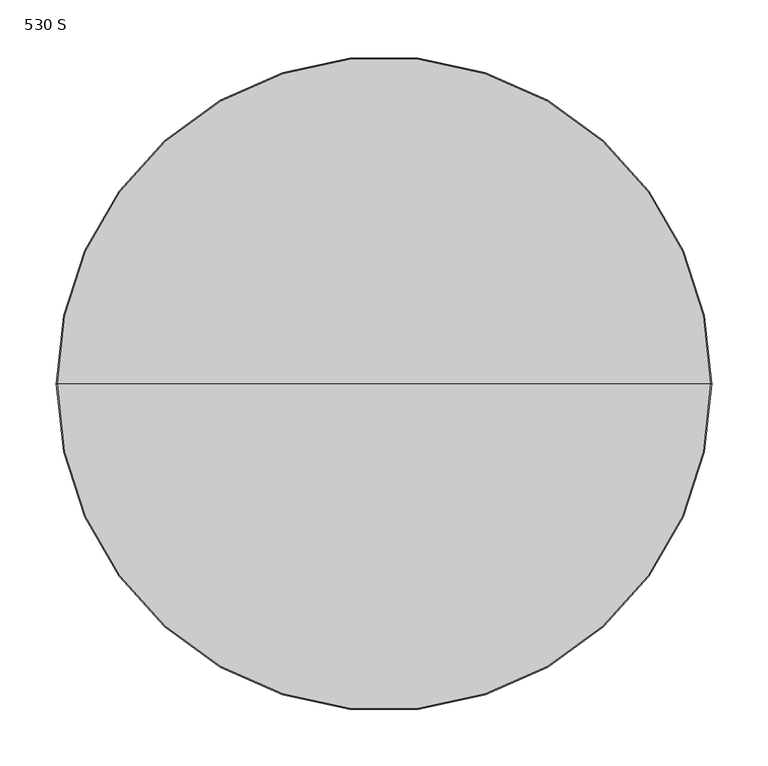
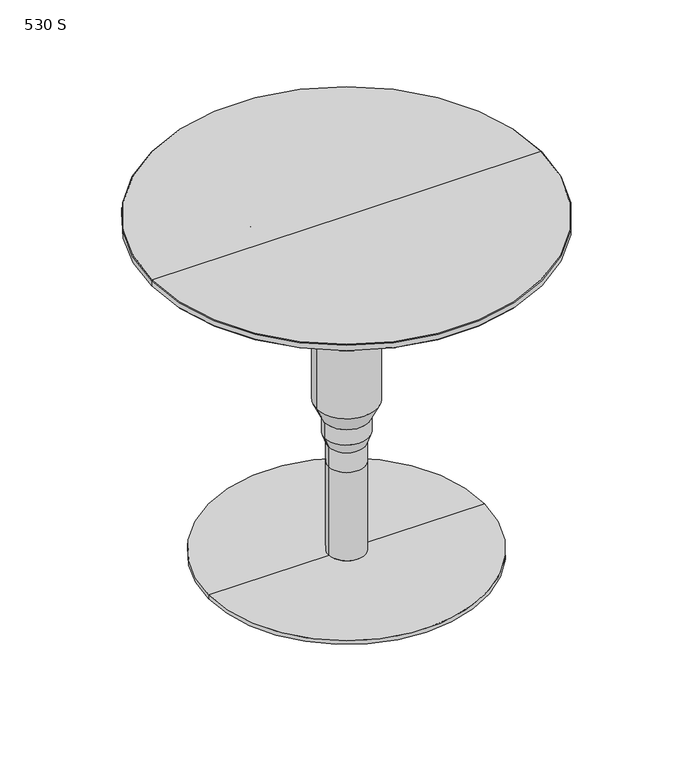
"""IFC4 building model written with IfcOpenShell, lengths in millimetres: furniture geometry, 530 S."""

from ifc_helpers import new_model, si_unit, frame, origin, place, context, project, spatial, polyline, circle_curve, source, transform, mapped, element, save
from ifc_brep_helpers import plane_surface, cylinder_surface, revolved_surface, advanced_brep


def furniture_530_s_0b94c679(model_context):
    return source(origin(), model_context, "Body", "AdvancedBrep", [
        advanced_brep(
        [(0.0, 0.0, 145.4075478), (-26.9997721, 0.0, 145.4075478), (26.9997721, 0.0, 145.4075478), (26.9997721, 0.0, 416.026536), (-26.9997721, 0.0, 416.026536), (0.0, 0.0, 416.026536), (26.9997721, 0.0, 392.407657), (-26.9997721, 0.0, 392.407657), (44.9996963, 0.0, 376.4076094), (-44.9996963, 0.0, 376.4076094), (44.9996963, 0.0, 242.4075991), (-44.9996963, 0.0, 242.4075991), (32.4995192, 0.0, 216.4074788), (-32.4995192, 0.0, 216.4074788), (32.4995192, 0.0, 192.4075797), (-32.4995192, 0.0, 192.4075797), (26.9997721, 0.0, 176.4075322), (-26.9997721, 0.0, 176.4075322)],
        [
            (0, 1),
            (1, 2, circle_curve(frame((0.0, 0.0, 145.4075478), z_axis=(0.0, 0.0, -1.0), x_axis=(-1.0, 0.0, 0.0)), 26.9997721)),
            (2, 0),
            (2, 1, circle_curve(frame((0.0, 0.0, 145.4075478), z_axis=(0.0, 0.0, -1.0), x_axis=(-1.0, 0.0, 0.0)), 26.9997721)),
            (3, 4, circle_curve(frame((0.0, 0.0, 416.026536), z_axis=(0.0, 0.0, 1.0), x_axis=(-1.0, 0.0, 0.0)), 26.9997721)),
            (4, 5),
            (5, 3),
            (4, 3, circle_curve(frame((0.0, 0.0, 416.026536), z_axis=(0.0, 0.0, 1.0), x_axis=(-1.0, 0.0, 0.0)), 26.9997721)),
            (6, 7, circle_curve(frame((0.0, 0.0, 392.407657), z_axis=(0.0, 0.0, 1.0), x_axis=(-1.0, 0.0, 0.0)), 26.9997721)),
            (7, 4),
            (3, 6),
            (7, 6, circle_curve(frame((0.0, 0.0, 392.407657), z_axis=(0.0, 0.0, 1.0), x_axis=(-1.0, 0.0, 0.0)), 26.9997721)),
            (8, 9, circle_curve(frame((0.0, 0.0, 376.4076094), z_axis=(0.0, 0.0, 1.0), x_axis=(-1.0, 0.0, 0.0)), 44.9996963)),
            (9, 7),
            (6, 8),
            (9, 8, circle_curve(frame((0.0, 0.0, 376.4076094), z_axis=(0.0, 0.0, 1.0), x_axis=(-1.0, 0.0, 0.0)), 44.9996963)),
            (10, 11, circle_curve(frame((0.0, 0.0, 242.4075991), z_axis=(0.0, 0.0, 1.0), x_axis=(-1.0, 0.0, 0.0)), 44.9996963)),
            (11, 9),
            (8, 10),
            (11, 10, circle_curve(frame((0.0, 0.0, 242.4075991), z_axis=(0.0, 0.0, 1.0), x_axis=(-1.0, 0.0, 0.0)), 44.9996963)),
            (12, 13, circle_curve(frame((0.0, 0.0, 216.4074788), z_axis=(0.0, 0.0, 1.0), x_axis=(-1.0, 0.0, 0.0)), 32.4995192)),
            (13, 11),
            (10, 12),
            (13, 12, circle_curve(frame((0.0, 0.0, 216.4074788), z_axis=(0.0, 0.0, 1.0), x_axis=(-1.0, 0.0, 0.0)), 32.4995192)),
            (14, 15, circle_curve(frame((0.0, 0.0, 192.4075797), z_axis=(0.0, 0.0, 1.0), x_axis=(-1.0, 0.0, 0.0)), 32.4995192)),
            (15, 13),
            (12, 14),
            (15, 14, circle_curve(frame((0.0, 0.0, 192.4075797), z_axis=(0.0, 0.0, 1.0), x_axis=(-1.0, 0.0, 0.0)), 32.4995192)),
            (16, 17, circle_curve(frame((0.0, 0.0, 176.4075322), z_axis=(0.0, 0.0, 1.0), x_axis=(-1.0, 0.0, 0.0)), 26.9997721)),
            (17, 15),
            (14, 16),
            (17, 16, circle_curve(frame((0.0, 0.0, 176.4075322), z_axis=(0.0, 0.0, 1.0), x_axis=(-1.0, 0.0, 0.0)), 26.9997721)),
            (1, 17),
            (16, 2),
        ],
        [
            plane_surface(frame((0.0, 0.0, 145.4075478), z_axis=(0.0, 0.0, -1.0), x_axis=(-1.0, 0.0, 0.0))),
            plane_surface(frame((0.0, 0.0, 416.026536), z_axis=(0.0, 0.0, 1.0), x_axis=(-1.0, 0.0, 0.0))),
            cylinder_surface(frame((0.0, 0.0, 145.4999867), z_axis=(0.0, 0.0, -1.0), x_axis=(-1.0, 0.0, 0.0)), 26.9997721),
            revolved_surface(polyline([(-26.9997721, 0.0, 392.407657), (-44.9996963, 0.0, 376.4076094)]), (0.0, 0.0, 145.4999867), (0.0, 0.0, -1.0)),
            cylinder_surface(frame((0.0, 0.0, 145.4999867), z_axis=(0.0, 0.0, -1.0), x_axis=(-1.0, 0.0, 0.0)), 44.9996963),
            revolved_surface(polyline([(-44.9996963, 0.0, 242.4075991), (-32.4995192, 0.0, 216.4074788)]), (0.0, 0.0, 145.4999867), (0.0, 0.0, -1.0)),
            cylinder_surface(frame((0.0, 0.0, 145.4999867), z_axis=(0.0, 0.0, -1.0), x_axis=(-1.0, 0.0, 0.0)), 32.4995192),
            revolved_surface(polyline([(-32.4995192, 0.0, 192.4075797), (-26.9997721, 0.0, 176.4075322)]), (0.0, 0.0, 145.4999867), (0.0, 0.0, -1.0)),
        ],
        [
            (0, [[1, 2, 3]]),
            (0, [[-3, 4, -1]]),
            (1, [[5, 6, 7]]),
            (1, [[8, -7, -6]]),
            (2, [[9, 10, -5, 11]]),
            (2, [[12, -11, -8, -10]]),
            (3, [[13, 14, -9, 15]]),
            (3, [[16, -15, -12, -14]]),
            (4, [[17, 18, -13, 19]]),
            (4, [[20, -19, -16, -18]]),
            (5, [[21, 22, -17, 23]]),
            (5, [[24, -23, -20, -22]]),
            (6, [[25, 26, -21, 27]]),
            (6, [[28, -27, -24, -26]]),
            (7, [[29, 30, -25, 31]]),
            (7, [[32, -31, -28, -30]]),
            (2, [[-2, 33, -29, 34]]),
            (2, [[-4, -34, -32, -33]]),
        ],
    ),
        advanced_brep(
        [(0.0, 0.0, 416.026536), (-27.0000008, 0.0, 416.026536), (27.0000008, 0.0, 416.026536), (289.0000015, 0.0, 530.0265543), (-289.0000015, 0.0, 530.0265543), (0.0, 0.0, 530.0265543), (289.9999774, 0.0, 529.0265784), (-289.9999774, 0.0, 529.0265784), (289.9999774, 0.0, 521.0118438), (-289.9999774, 0.0, 521.0118438), (289.0147168, 0.0, 520.0265833), (-289.0147168, 0.0, 520.0265833), (125.000001, 0.0, 520.0265833), (-125.000001, 0.0, 520.0265833), (125.000001, 0.0, 516.0264641), (-125.000001, 0.0, 516.0264641), (27.0000008, 0.0, 516.0264641), (-27.0000008, 0.0, 516.0264641)],
        [
            (0, 1),
            (1, 2, circle_curve(frame((0.0, 0.0, 416.026536), z_axis=(0.0, 0.0, -1.0), x_axis=(-1.0, 0.0, 0.0)), 27.0000008)),
            (2, 0),
            (2, 1, circle_curve(frame((0.0, 0.0, 416.026536), z_axis=(0.0, 0.0, -1.0), x_axis=(-1.0, 0.0, 0.0)), 27.0000008)),
            (3, 4, circle_curve(frame((0.0, 0.0, 530.0265543), z_axis=(0.0, 0.0, 1.0), x_axis=(-1.0, 0.0, 0.0)), 289.0000015)),
            (4, 5),
            (5, 3),
            (4, 3, circle_curve(frame((0.0, 0.0, 530.0265543), z_axis=(0.0, 0.0, 1.0), x_axis=(-1.0, 0.0, 0.0)), 289.0000015)),
            (6, 7, circle_curve(frame((0.0, 0.0, 529.0265784), z_axis=(0.0, 0.0, 1.0), x_axis=(-1.0, 0.0, 0.0)), 289.9999774)),
            (7, 4),
            (3, 6),
            (7, 6, circle_curve(frame((0.0, 0.0, 529.0265784), z_axis=(0.0, 0.0, 1.0), x_axis=(-1.0, 0.0, 0.0)), 289.9999774)),
            (8, 9, circle_curve(frame((0.0, 0.0, 521.0118438), z_axis=(0.0, 0.0, 1.0), x_axis=(-1.0, 0.0, 0.0)), 289.9999774)),
            (9, 7),
            (6, 8),
            (9, 8, circle_curve(frame((0.0, 0.0, 521.0118438), z_axis=(0.0, 0.0, 1.0), x_axis=(-1.0, 0.0, 0.0)), 289.9999774)),
            (10, 11, circle_curve(frame((0.0, 0.0, 520.0265833), z_axis=(0.0, 0.0, 1.0), x_axis=(-1.0, 0.0, 0.0)), 289.0147168)),
            (11, 9),
            (8, 10),
            (11, 10, circle_curve(frame((0.0, 0.0, 520.0265833), z_axis=(0.0, 0.0, 1.0), x_axis=(-1.0, 0.0, 0.0)), 289.0147168)),
            (12, 13, circle_curve(frame((0.0, 0.0, 520.0265833), z_axis=(0.0, 0.0, 1.0), x_axis=(-1.0, 0.0, 0.0)), 125.000001)),
            (13, 11),
            (10, 12),
            (13, 12, circle_curve(frame((0.0, 0.0, 520.0265833), z_axis=(0.0, 0.0, 1.0), x_axis=(-1.0, 0.0, 0.0)), 125.000001)),
            (14, 15, circle_curve(frame((0.0, 0.0, 516.0264641), z_axis=(0.0, 0.0, 1.0), x_axis=(-1.0, 0.0, 0.0)), 125.000001)),
            (15, 13),
            (12, 14),
            (15, 14, circle_curve(frame((0.0, 0.0, 516.0264641), z_axis=(0.0, 0.0, 1.0), x_axis=(-1.0, 0.0, 0.0)), 125.000001)),
            (16, 17, circle_curve(frame((0.0, 0.0, 516.0264641), z_axis=(0.0, 0.0, 1.0), x_axis=(-1.0, 0.0, 0.0)), 27.0000008)),
            (17, 15),
            (14, 16),
            (17, 16, circle_curve(frame((0.0, 0.0, 516.0264641), z_axis=(0.0, 0.0, 1.0), x_axis=(-1.0, 0.0, 0.0)), 27.0000008)),
            (1, 17),
            (16, 2),
        ],
        [
            plane_surface(frame((0.0, 0.0, 416.026536), z_axis=(0.0, 0.0, -1.0), x_axis=(-1.0, 0.0, 0.0))),
            plane_surface(frame((0.0, 0.0, 530.0265543), z_axis=(0.0, 0.0, 1.0), x_axis=(-1.0, 0.0, 0.0))),
            revolved_surface(polyline([(-289.0000015, 0.0, 530.0265543), (-289.9999774, 0.0, 529.0265784)]), (0.0, 0.0, 409.676536), (0.0, 0.0, -1.0)),
            cylinder_surface(frame((0.0, 0.0, 409.676536), z_axis=(0.0, 0.0, -1.0), x_axis=(-1.0, 0.0, 0.0)), 289.9999774),
            revolved_surface(polyline([(-289.9999774, 0.0, 521.0118438), (-289.0147168, 0.0, 520.0265833)]), (0.0, 0.0, 409.676536), (0.0, 0.0, -1.0)),
            plane_surface(frame((0.0, 0.0, 520.0265833), z_axis=(0.0, 0.0, -1.0), x_axis=(-1.0, 0.0, 0.0))),
            cylinder_surface(frame((0.0, 0.0, 409.676536), z_axis=(0.0, 0.0, -1.0), x_axis=(-1.0, 0.0, 0.0)), 125.000001),
            plane_surface(frame((0.0, 0.0, 516.0264641), z_axis=(0.0, 0.0, -1.0), x_axis=(-1.0, 0.0, 0.0))),
            cylinder_surface(frame((0.0, 0.0, 409.676536), z_axis=(0.0, 0.0, -1.0), x_axis=(-1.0, 0.0, 0.0)), 27.0000008),
        ],
        [
            (0, [[1, 2, 3]]),
            (0, [[-3, 4, -1]]),
            (1, [[5, 6, 7]]),
            (1, [[8, -7, -6]]),
            (2, [[9, 10, -5, 11]]),
            (2, [[12, -11, -8, -10]]),
            (3, [[13, 14, -9, 15]]),
            (3, [[16, -15, -12, -14]]),
            (4, [[17, 18, -13, 19]]),
            (4, [[20, -19, -16, -18]]),
            (5, [[21, 22, -17, 23]]),
            (5, [[24, -23, -20, -22]]),
            (6, [[25, 26, -21, 27]]),
            (6, [[28, -27, -24, -26]]),
            (7, [[29, 30, -25, 31]]),
            (7, [[32, -31, -28, -30]]),
            (8, [[-2, 33, -29, 34]]),
            (8, [[-4, -34, -32, -33]]),
        ],
    ),
        advanced_brep(
        [(0.0, 0.0, 0.0), (-205.0000052, 0.0, 0.0), (205.0000052, 0.0, 0.0), (27.0000008, 0.0, 145.4999867), (-27.0000008, 0.0, 145.4999867), (0.0, 0.0, 145.4999867), (27.0000008, 0.0, 6.9129723), (-27.0000008, 0.0, 6.9129723), (26.0876426, 0.0, 6.9129723), (-26.0876426, 0.0, 6.9129723), (26.0876426, 0.0, 5.9999964), (-26.0876426, 0.0, 5.9999964), (205.0000052, 0.0, 5.9999964), (-205.0000052, 0.0, 5.9999964)],
        [
            (0, 1),
            (1, 2, circle_curve(frame((0.0, 0.0, 0.0), z_axis=(0.0, 0.0, -1.0), x_axis=(-1.0, 0.0, 0.0)), 205.0000052)),
            (2, 0),
            (2, 1, circle_curve(frame((0.0, 0.0, 0.0), z_axis=(0.0, 0.0, -1.0), x_axis=(-1.0, 0.0, 0.0)), 205.0000052)),
            (3, 4, circle_curve(frame((0.0, 0.0, 145.4999867), z_axis=(0.0, 0.0, 1.0), x_axis=(-1.0, 0.0, 0.0)), 27.0000008)),
            (4, 5),
            (5, 3),
            (4, 3, circle_curve(frame((0.0, 0.0, 145.4999867), z_axis=(0.0, 0.0, 1.0), x_axis=(-1.0, 0.0, 0.0)), 27.0000008)),
            (6, 7, circle_curve(frame((0.0, 0.0, 6.9129723), z_axis=(0.0, 0.0, 1.0), x_axis=(-1.0, 0.0, 0.0)), 27.0000008)),
            (7, 4),
            (3, 6),
            (7, 6, circle_curve(frame((0.0, 0.0, 6.9129723), z_axis=(0.0, 0.0, 1.0), x_axis=(-1.0, 0.0, 0.0)), 27.0000008)),
            (8, 9, circle_curve(frame((0.0, 0.0, 6.9129723), z_axis=(0.0, 0.0, 1.0), x_axis=(-1.0, 0.0, 0.0)), 26.0876426)),
            (9, 7),
            (6, 8),
            (9, 8, circle_curve(frame((0.0, 0.0, 6.9129723), z_axis=(0.0, 0.0, 1.0), x_axis=(-1.0, 0.0, 0.0)), 26.0876426)),
            (10, 11, circle_curve(frame((0.0, 0.0, 5.9999964), z_axis=(0.0, 0.0, 1.0), x_axis=(-1.0, 0.0, 0.0)), 26.0876426)),
            (11, 9),
            (8, 10),
            (11, 10, circle_curve(frame((0.0, 0.0, 5.9999964), z_axis=(0.0, 0.0, 1.0), x_axis=(-1.0, 0.0, 0.0)), 26.0876426)),
            (12, 13, circle_curve(frame((0.0, 0.0, 5.9999964), z_axis=(0.0, 0.0, 1.0), x_axis=(-1.0, 0.0, 0.0)), 205.0000052)),
            (13, 11),
            (10, 12),
            (13, 12, circle_curve(frame((0.0, 0.0, 5.9999964), z_axis=(0.0, 0.0, 1.0), x_axis=(-1.0, 0.0, 0.0)), 205.0000052)),
            (1, 13),
            (12, 2),
        ],
        [
            plane_surface(frame((0.0, 0.0, 0.0), z_axis=(0.0, 0.0, -1.0), x_axis=(-1.0, 0.0, 0.0))),
            plane_surface(frame((0.0, 0.0, 145.4999867), z_axis=(0.0, 0.0, 1.0), x_axis=(-1.0, 0.0, 0.0))),
            cylinder_surface(frame((0.0, 0.0, -19.05), z_axis=(0.0, 0.0, -1.0), x_axis=(-1.0, 0.0, 0.0)), 27.0000008),
            plane_surface(frame((0.0, 0.0, 6.9129723), z_axis=(0.0, 0.0, -1.0), x_axis=(-1.0, 0.0, 0.0))),
            cylinder_surface(frame((0.0, 0.0, -19.05), z_axis=(0.0, 0.0, -1.0), x_axis=(-1.0, 0.0, 0.0)), 26.0876426),
            plane_surface(frame((0.0, 0.0, 5.9999964), z_axis=(0.0, 0.0, 1.0), x_axis=(-1.0, 0.0, 0.0))),
            cylinder_surface(frame((0.0, 0.0, -19.05), z_axis=(0.0, 0.0, -1.0), x_axis=(-1.0, 0.0, 0.0)), 205.0000052),
        ],
        [
            (0, [[1, 2, 3]]),
            (0, [[-3, 4, -1]]),
            (1, [[5, 6, 7]]),
            (1, [[8, -7, -6]]),
            (2, [[9, 10, -5, 11]]),
            (2, [[12, -11, -8, -10]]),
            (3, [[13, 14, -9, 15]]),
            (3, [[16, -15, -12, -14]]),
            (4, [[17, 18, -13, 19]]),
            (4, [[20, -19, -16, -18]]),
            (5, [[21, 22, -17, 23]]),
            (5, [[24, -23, -20, -22]]),
            (6, [[-2, 25, -21, 26]]),
            (6, [[-4, -26, -24, -25]]),
        ],
    ),
    ])


if __name__ == "__main__":
    model = new_model("IFC4")
    model_context = context("Model", 3, world=origin())
    ifc_project = project(units=[si_unit("LENGTHUNIT", "METRE", prefix="MILLI")], contexts=[model_context])
    site = spatial("IfcSite", under=ifc_project)
    building = spatial("IfcBuilding", under=site)
    placement = place(None, origin())
    furniture_530_s_shape = furniture_530_s_0b94c679(model_context)
    element("IfcFurniture", 1, ObjectType="530 S", at=placement, inside=building, context=model_context, shape_type="MappedRepresentation", body=[
        mapped(furniture_530_s_shape, transform((0.0, 0.0, 0.0), x_axis=(1.0, 0.0, 0.0), y_axis=(0.0, 1.0, 0.0), z_axis=(0.0, 0.0, 1.0))),
    ])
    save(model, "model.ifc")
